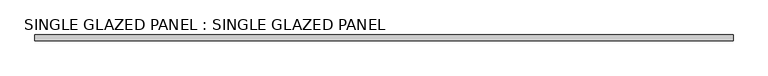
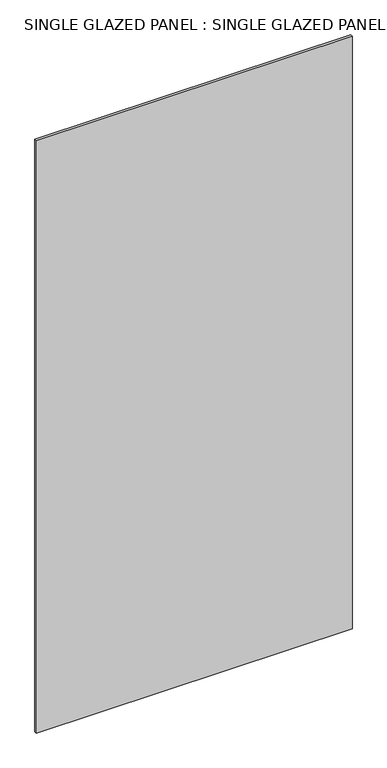
"""IFC4 building model written with IfcOpenShell, lengths in millimetres: plate geometry, SINGLE GLAZED PANEL : SINGLE GLAZED PANEL."""

from ifc_helpers import new_model, si_unit, origin, origin_with_axes, place, context, project, spatial, polyline, outline, extrude, source, transform, mapped, element, save


def single_glazed_panel_single_glazed_panel_22a92b36(model_context):
    return source(origin(), model_context, "Body", "SweptSolid", [
        extrude(outline(polyline([(766.7625, 6.35), (766.7625, -6.35), (-766.7625, -6.35), (-766.7625, 6.35), (766.7625, 6.35)])), origin_with_axes(), (0.0, 0.0, 1.0), 3041.65),
    ])


if __name__ == "__main__":
    model = new_model("IFC4")
    model_context = context("Model", 3, world=origin())
    ifc_project = project(units=[si_unit("LENGTHUNIT", "METRE", prefix="MILLI")], contexts=[model_context])
    site = spatial("IfcSite", under=ifc_project)
    building = spatial("IfcBuilding", under=site)
    placement = place(None, origin())
    single_glazed_panel_single_glazed_panel_shape = single_glazed_panel_single_glazed_panel_22a92b36(model_context)
    element("IfcPlate", 1, ObjectType="SINGLE GLAZED PANEL : SINGLE GLAZED PANEL", at=placement, inside=building, context=model_context, shape_type="MappedRepresentation", body=[
        mapped(single_glazed_panel_single_glazed_panel_shape, transform((0.0, 0.0, 0.0), x_axis=(1.0, 0.0, 0.0), y_axis=(0.0, 1.0, 0.0), z_axis=(0.0, 0.0, 1.0))),
    ])
    save(model, "model.ifc")
